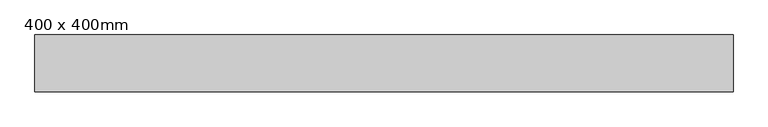
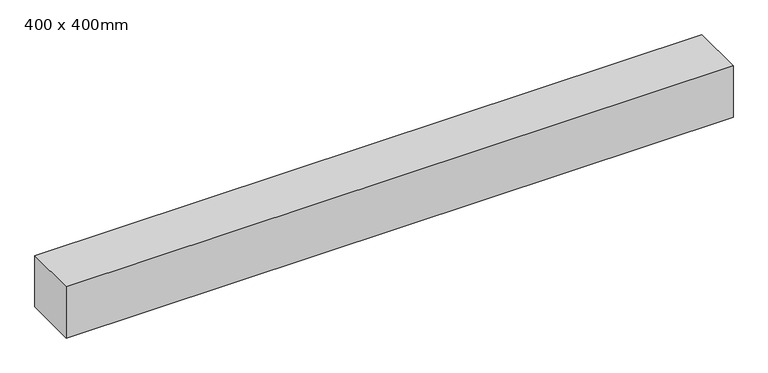
"""IFC4 building model written with IfcOpenShell, lengths in millimetres: beam geometry, 400 x 400mm."""

from ifc_helpers import new_model, si_unit, frame, origin, place, context, project, spatial, polyline, outline, extrude, source, transform, mapped, element, save


def beam_400_x_400mm_4f6b2ff7(model_context):
    return source(origin(), model_context, "Body", "SweptSolid", [
        extrude(outline(polyline([(2462.7, 200.0), (2462.7, -200.0), (-2462.7, -200.0), (-2462.7, 200.0), (2462.7, 200.0)])), frame((0.0, 0.0, -200.0), z_axis=(0.0, 0.0, 1.0), x_axis=(1.0, 0.0, 0.0)), (0.0, 0.0, 1.0), 400.0),
    ])


if __name__ == "__main__":
    model = new_model("IFC4")
    model_context = context("Model", 3, world=origin())
    ifc_project = project(units=[si_unit("LENGTHUNIT", "METRE", prefix="MILLI")], contexts=[model_context])
    site = spatial("IfcSite", under=ifc_project)
    building = spatial("IfcBuilding", under=site)
    placement = place(None, origin())
    beam_400_x_400mm_shape = beam_400_x_400mm_4f6b2ff7(model_context)
    element("IfcBeam", 1, ObjectType="400 x 400mm", at=placement, inside=building, context=model_context, shape_type="MappedRepresentation", body=[
        mapped(beam_400_x_400mm_shape, transform((0.0, 0.0, 0.0), x_axis=(1.0, 0.0, 0.0), y_axis=(0.0, 1.0, 0.0), z_axis=(0.0, 0.0, 1.0))),
    ])
    save(model, "model.ifc")
